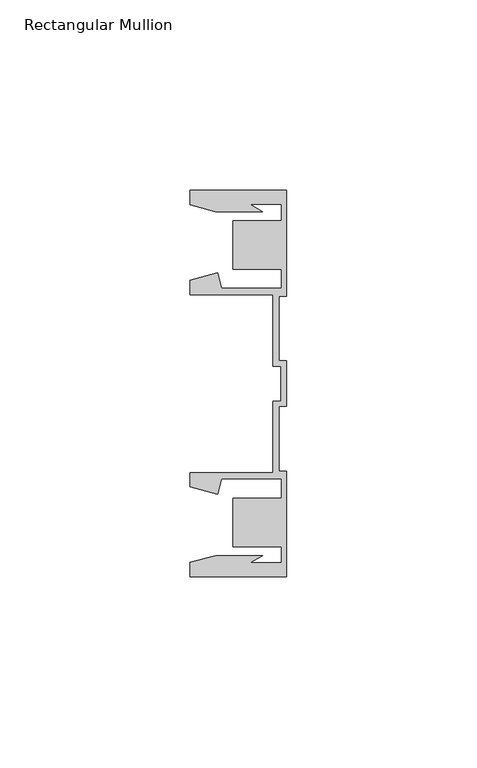
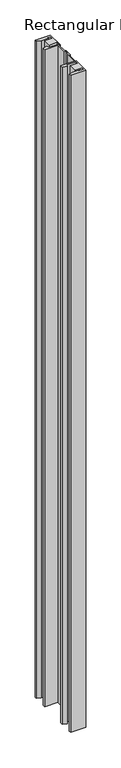
"""IFC4 building model written with IfcOpenShell, lengths in millimetres: member geometry, Rectangular Mullion."""

from ifc_helpers import new_model, si_unit, frame, origin, place, context, project, spatial, polyline, outline, extrude, source, transform, mapped, element, save


def rectangular_mullion_ad370b84(model_context):
    return source(origin(), model_context, "Body", "SweptSolid", [
        extrude(outline(polyline([(-25.4, 50.7954622), (0.0, 50.7954622), (0.0, 22.9938072), (-2.0000011, 22.9938072), (-2.0000011, 6.0000032), (0.0, 6.0000032), (0.0, -6.0000032), (-2.0000011, -6.0000032), (-2.0000011, -22.9938072), (0.0, -22.9938072), (0.0, -50.7954622), (-25.4, -50.7954622), (-25.4, -46.9998463), (-18.7113002, -45.2076146), (-6.3834869, -45.2076146), (-9.7005662, -47.1227313), (-1.4138425, -47.1227313), (-1.4138425, -42.8128906), (-14.1138425, -42.8128906), (-14.1138425, -30.1128906), (-1.4138425, -30.1128906), (-1.4138425, -25.0120132), (-17.1094033, -25.0120132), (-18.2017212, -29.0885993), (-25.4, -27.1598263), (-25.4, -23.3610583), (-3.555903, -23.3610583), (-3.555903, -4.5718753), (-1.5239584, -4.5718753), (-1.5239584, 4.5718753), (-3.555903, 4.5718753), (-3.555903, 23.3610583), (-25.4, 23.3610583), (-25.4, 27.1598263), (-18.2017212, 29.0885993), (-17.1094033, 25.0120132), (-1.4138425, 25.0120132), (-1.4138425, 30.1128906), (-14.1138425, 30.1128906), (-14.1138425, 42.8128906), (-1.4138425, 42.8128906), (-1.4138425, 47.1227313), (-9.7005662, 47.1227313), (-6.3834869, 45.2076146), (-18.7113002, 45.2076146), (-25.4, 46.9998463), (-25.4, 50.7954622)])), frame((0.0, 0.0, -1146.7702905), z_axis=(0.0, 0.0, 1.0), x_axis=(1.0, 0.0, 0.0)), (0.0, 0.0, 1.0), 1146.7702905),
    ])


if __name__ == "__main__":
    model = new_model("IFC4")
    model_context = context("Model", 3, world=origin())
    ifc_project = project(units=[si_unit("LENGTHUNIT", "METRE", prefix="MILLI")], contexts=[model_context])
    site = spatial("IfcSite", under=ifc_project)
    building = spatial("IfcBuilding", under=site)
    placement = place(None, origin())
    rectangular_mullion_shape = rectangular_mullion_ad370b84(model_context)
    element("IfcMember", 1, ObjectType="Rectangular Mullion", at=placement, inside=building, context=model_context, shape_type="MappedRepresentation", body=[
        mapped(rectangular_mullion_shape, transform((0.0, 0.0, 0.0), x_axis=(1.0, 0.0, 0.0), y_axis=(0.0, 1.0, 0.0), z_axis=(0.0, 0.0, 1.0))),
    ])
    save(model, "model.ifc")
